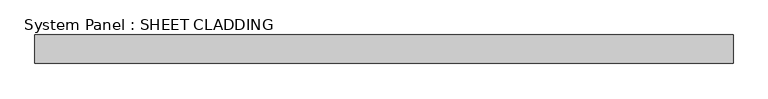
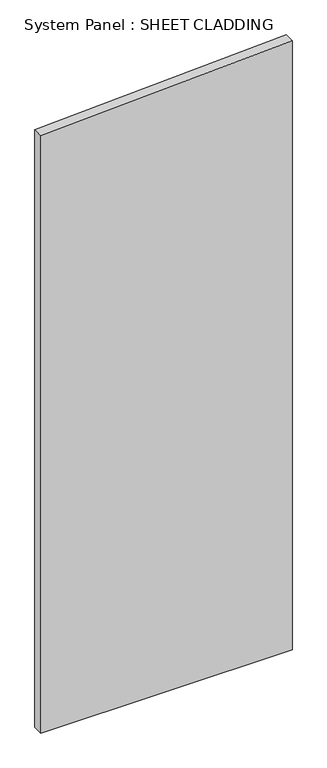
"""IFC4 building model written with IfcOpenShell, lengths in millimetres: plate geometry, System Panel : SHEET CLADDING."""

import ifcopenshell
import ifcopenshell.guid

model = None  # the IFC model being written
_history = None  # IfcOwnerHistory: only IFC2X3 demands one
_inside = {}  # id of a spatial element -> (the spatial element, [elements in it])
_under = {}  # id of a project, library or spatial element -> (it, [spatial elements below it])
_declared = {}  # id of a project -> (the project, [libraries it declares])
_typed = {}  # id of a type object -> (the type object, [elements of that type])
_made_of = {}  # id of a material, layer set ... -> (it, [elements and type objects made of it])


def new_model(schema):
    """Start an empty IFC model of exactly this schema.

    Asked for "IFC4X3", IfcOpenShell would pick the latest addendum, in which some entities
    have other attributes; the version numbers below select the first issue.
    IFC2X3 requires an IfcOwnerHistory on every rooted entity: one is made here for all.
    """
    global model, _history
    if schema == "IFC4X3":
        model = ifcopenshell.file(schema_version=(4, 3, 0, 0))
    else:
        model = ifcopenshell.file(schema=schema)
    _inside.clear()
    _under.clear()
    _declared.clear()
    _typed.clear()
    _made_of.clear()
    _history = None
    if model.schema == "IFC2X3":
        org = make("IfcOrganization", Name="unknown")
        user = make(
            "IfcPersonAndOrganization",
            ThePerson=make("IfcPerson", FamilyName="unknown"),
            TheOrganization=org,
        )
        app = make(
            "IfcApplication",
            ApplicationDeveloper=org,
            Version="unknown",
            ApplicationFullName="unknown",
            ApplicationIdentifier="unknown",
        )
        _history = make(
            "IfcOwnerHistory",
            OwningUser=user,
            OwningApplication=app,
            ChangeAction="ADDED",
            CreationDate=0,
        )
    return model


def make(cls, **values):
    """One entity of the class cls with the attributes given. An attribute that is None is left unset."""
    return model.create_entity(
        cls, **{name: value for name, value in values.items() if value is not None}
    )


def rooted(cls, **values):
    """An entity with a GlobalId (a new one), such as an element, a storey or a relation."""
    return make(cls, GlobalId=ifcopenshell.guid.new(), OwnerHistory=_history, **values)


def si_unit(unit_type, name, prefix=None):
    """IfcSIUnit, for example si_unit("LENGTHUNIT", "METRE", prefix="MILLI")."""
    return make("IfcSIUnit", UnitType=unit_type, Prefix=prefix, Name=name)


def assignment(units):
    """IfcUnitAssignment: the units of a project."""
    return None if units is None else make("IfcUnitAssignment", Units=units)


def point(xyz):
    """IfcCartesianPoint."""
    return None if xyz is None else make("IfcCartesianPoint", Coordinates=xyz)


def direction(xyz):
    """IfcDirection."""
    return None if xyz is None else make("IfcDirection", DirectionRatios=xyz)


def frame(location, z_axis=None, x_axis=None):
    """IfcAxis2Placement3D, a coordinate frame: its origin and axes. An axis left out is left unset."""
    return make(
        "IfcAxis2Placement3D",
        Location=point(location),
        Axis=direction(z_axis),
        RefDirection=direction(x_axis),
    )


def origin():
    """The frame at (0, 0, 0) with its axes left unset."""
    return frame((0.0, 0.0, 0.0))


def place(relative_to, where):
    """IfcLocalPlacement: puts the frame where relative to a parent placement (None: the world)."""
    return make(
        "IfcLocalPlacement", PlacementRelTo=relative_to, RelativePlacement=where
    )


def context(
    kind, dimensions, precision=None, world=None, true_north=None, identifier=None
):
    """IfcGeometricRepresentationContext, for example the 3D "Model" context."""
    return make(
        "IfcGeometricRepresentationContext",
        ContextIdentifier=identifier,
        ContextType=kind,
        CoordinateSpaceDimension=dimensions,
        Precision=precision,
        WorldCoordinateSystem=world,
        TrueNorth=true_north,
    )


def project(units=None, contexts=None):
    """IfcProject with its units and contexts."""
    return rooted(
        "IfcProject",
        Name="project",
        RepresentationContexts=contexts,
        UnitsInContext=assignment(units),
    )


def spatial(cls, under=None, at=None, **own):
    """A site, building, storey or space (cls), placed at a placement, below another one or the project."""
    s = rooted(cls, ObjectPlacement=at, **own)
    if under is not None:
        _under.setdefault(under.id(), (under, []))[1].append(s)
    return s


def polyline(points):
    """IfcPolyline through the points."""
    return make("IfcPolyline", Points=[point(p) for p in points])


def outline(outer, holes=None, kind="AREA"):
    """IfcArbitraryClosedProfileDef: a profile drawn as a closed curve; with holes, ...WithVoids."""
    if holes is None:
        return make("IfcArbitraryClosedProfileDef", ProfileType=kind, OuterCurve=outer)
    return make(
        "IfcArbitraryProfileDefWithVoids",
        ProfileType=kind,
        OuterCurve=outer,
        InnerCurves=holes,
    )


def extrude(swept, where, along, depth):
    """IfcExtrudedAreaSolid: the profile swept, set in the frame where, extruded along a direction by depth."""
    return make(
        "IfcExtrudedAreaSolid",
        SweptArea=swept,
        Position=where,
        ExtrudedDirection=direction(along),
        Depth=depth,
    )


def shape(context_of_items, identifier, shape_type, items):
    """IfcShapeRepresentation: the items that make up one representation, for example the "Body"."""
    return make(
        "IfcShapeRepresentation",
        ContextOfItems=context_of_items,
        RepresentationIdentifier=identifier,
        RepresentationType=shape_type,
        Items=items,
    )


def source(mapping_origin, context_of_items, identifier, shape_type, items):
    """IfcRepresentationMap: a shape defined once, which mapped items show again and again."""
    return make(
        "IfcRepresentationMap",
        MappingOrigin=mapping_origin,
        MappedRepresentation=shape(context_of_items, identifier, shape_type, items),
    )


def transform(
    local_origin,
    x_axis=None,
    y_axis=None,
    z_axis=None,
    scale=None,
    scale2=None,
    scale3=None,
    uniform=True,
):
    """IfcCartesianTransformationOperator3D, or its non-uniform kind. x_axis, y_axis, z_axis: its Axis1, 2, 3."""
    if uniform:
        return make(
            "IfcCartesianTransformationOperator3D",
            Axis1=direction(x_axis),
            Axis2=direction(y_axis),
            LocalOrigin=point(local_origin),
            Scale=scale,
            Axis3=direction(z_axis),
        )
    return make(
        "IfcCartesianTransformationOperator3DnonUniform",
        Axis1=direction(x_axis),
        Axis2=direction(y_axis),
        LocalOrigin=point(local_origin),
        Scale=scale,
        Axis3=direction(z_axis),
        Scale2=scale2,
        Scale3=scale3,
    )


def mapped(mapping_source, mapping_target):
    """IfcMappedItem: shows the shape of a source again, moved by a transform."""
    return make(
        "IfcMappedItem", MappingSource=mapping_source, MappingTarget=mapping_target
    )


def made_of(thing, what):
    """Note that an element or type object is made of a material, layer set ...; save() writes the relation."""
    if what is not None:
        _made_of.setdefault(what.id(), (what, []))[1].append(thing)
    return thing


def element(
    cls,
    number,
    at=None,
    inside=None,
    cuts=None,
    type_object=None,
    material=None,
    context=None,
    identifier="Body",
    shape_type=None,
    held_by="IfcProductDefinitionShape",
    body=None,
    shapes=None,
    **own,
):
    """One element of the class cls, such as IfcWall. Its Tag is "e" and its number.

    at: its placement. inside: the storey or other place that contains it. cuts: it is an
    opening in that element (IfcRelVoidsElement). A single representation is given by context,
    identifier, shape_type and body (its items); several are given by shapes. held_by: the class
    of the entity that holds the representations. save() writes the other relations.
    """
    e = rooted(cls, Tag="e%d" % number, ObjectPlacement=at, **own)
    if body is not None:
        shapes = [shape(context, identifier, shape_type, body)]
    if shapes is not None:
        e.Representation = make(held_by, Representations=shapes)
    if inside is not None:
        _inside.setdefault(inside.id(), (inside, []))[1].append(e)
    if cuts is not None:
        rooted(
            "IfcRelVoidsElement", RelatingBuildingElement=cuts, RelatedOpeningElement=e
        )
    if type_object is not None:
        _typed.setdefault(type_object.id(), (type_object, []))[1].append(e)
    return made_of(e, material)


def aggregate(whole, parts):
    """IfcRelAggregates: a whole, such as a stair, and the parts it consists of."""
    return rooted("IfcRelAggregates", RelatingObject=whole, RelatedObjects=parts)


def save(model, path):
    """Write the relations noted so far, then the file.

    IfcRelAggregates (storeys below a building ...), IfcRelContainedInSpatialStructure (elements
    in a storey), IfcRelDefinesByType, IfcRelAssociatesMaterial and IfcRelDeclares: one each for
    every whole, place, type object, material and project.
    """
    for whole, parts in _under.values():
        aggregate(whole, parts)
    for where, things in _inside.values():
        rooted(
            "IfcRelContainedInSpatialStructure",
            RelatedElements=things,
            RelatingStructure=where,
        )
    for kind, things in _typed.values():
        rooted("IfcRelDefinesByType", RelatedObjects=things, RelatingType=kind)
    for what, things in _made_of.values():
        rooted("IfcRelAssociatesMaterial", RelatedObjects=things, RelatingMaterial=what)
    for by, libraries in _declared.values():
        rooted("IfcRelDeclares", RelatingContext=by, RelatedDefinitions=libraries)
    model.write(path)


def system_panel_sheet_cladding_a18bf58d(model_context):
    return source(origin(), model_context, "Body", "SweptSolid", [
        extrude(outline(polyline([(0.0, -735.4591837), (0.0, 735.4591837), (3770.5591837, 735.4591837), (3697.0132653, -735.4591837), (0.0, -735.4591837)])), frame((0.0, -10.5, 0.0), z_axis=(0.0, 1.0, 0.0), x_axis=(0.0, 0.0, 1.0)), (0.0, 0.0, 1.0), 60.0),
    ])


if __name__ == "__main__":
    model = new_model("IFC4")
    model_context = context("Model", 3, world=origin())
    ifc_project = project(units=[si_unit("LENGTHUNIT", "METRE", prefix="MILLI")], contexts=[model_context])
    site = spatial("IfcSite", under=ifc_project)
    building = spatial("IfcBuilding", under=site)
    placement = place(None, origin())
    system_panel_sheet_cladding_shape = system_panel_sheet_cladding_a18bf58d(model_context)
    element("IfcPlate", 1, ObjectType="System Panel : SHEET CLADDING", at=placement, inside=building, context=model_context, shape_type="MappedRepresentation", body=[
        mapped(system_panel_sheet_cladding_shape, transform((0.0, 0.0, 0.0), x_axis=(1.0, 0.0, 0.0), y_axis=(0.0, 1.0, 0.0), z_axis=(0.0, 0.0, 1.0))),
    ])
    save(model, "model.ifc")
